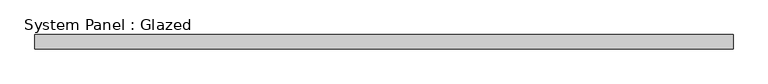
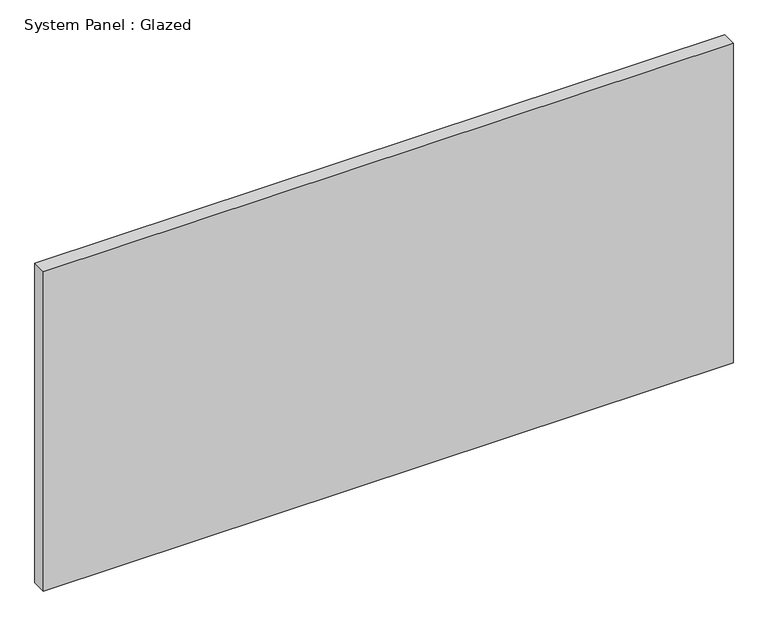
"""IFC4 building model written with IfcOpenShell, lengths in millimetres: plate geometry, System Panel : Glazed."""

from ifc_helpers import new_model, si_unit, origin, origin_with_axes, place, context, project, spatial, polyline, outline, extrude, source, transform, mapped, element, save


def system_panel_glazed_0cdfdef8(model_context):
    return source(origin(), model_context, "Body", "SweptSolid", [
        extrude(outline(polyline([(609.6, 19.05), (-609.6, 19.05), (-609.6, 44.45), (609.6, 44.45), (609.6, 19.05)])), origin_with_axes(), (0.0, 0.0, 1.0), 596.9),
    ])


if __name__ == "__main__":
    model = new_model("IFC4")
    model_context = context("Model", 3, world=origin())
    ifc_project = project(units=[si_unit("LENGTHUNIT", "METRE", prefix="MILLI")], contexts=[model_context])
    site = spatial("IfcSite", under=ifc_project)
    building = spatial("IfcBuilding", under=site)
    placement = place(None, origin())
    system_panel_glazed_shape = system_panel_glazed_0cdfdef8(model_context)
    element("IfcPlate", 1, ObjectType="System Panel : Glazed", at=placement, inside=building, context=model_context, shape_type="MappedRepresentation", body=[
        mapped(system_panel_glazed_shape, transform((0.0, 0.0, 0.0), x_axis=(1.0, 0.0, 0.0), y_axis=(0.0, 1.0, 0.0), z_axis=(0.0, 0.0, 1.0))),
    ])
    save(model, "model.ifc")
